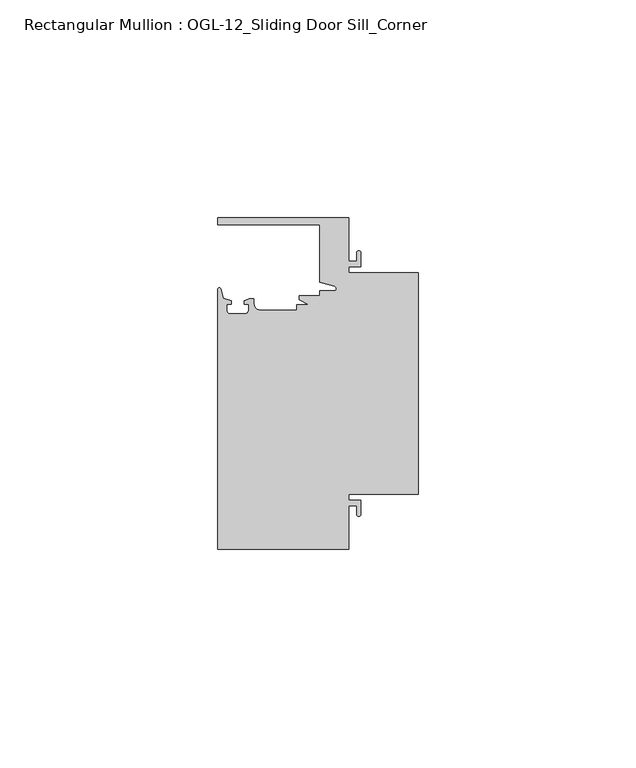
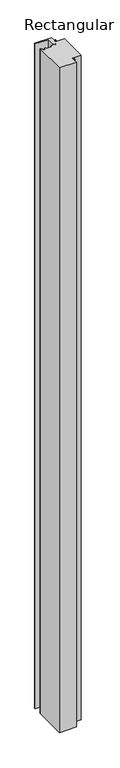
"""IFC4 building model written with IfcOpenShell, lengths in millimetres: member geometry, Rectangular Mullion : OGL-12_Sliding Door Sill_Corner."""

from ifc_helpers import new_model, si_unit, point, frame, frame_2d, origin, place, context, project, spatial, polyline, circle_curve, trimmed, segment, composite_curve, outline, extrude, source, transform, mapped, element, save


def rectangular_mullion_ogl_12_sliding_door_sill_corner_7ad90345(model_context):
    return source(origin(), model_context, "Body", "SweptSolid", [
        extrude(outline(composite_curve([segment(polyline([(0.0, -4.7625), (0.0, -55.5625), (-15.934238, -55.5625), (-15.934238, -57.0104425), (-13.2417195, -57.0104425), (-13.2417195, -60.2053503)]), True, "CONTINUOUS"), segment(trimmed(circle_curve(frame_2d((-13.6974747, -60.2053503)), 0.4557552), [point((-13.2417195, -60.2053503))], [point((-14.15323, -60.2053503))], False, "CARTESIAN"), True, "CONTINUOUS"), segment(polyline([(-14.15323, -60.2053503), (-14.15323, -58.2169425), (-15.934238, -58.2169425), (-15.934238, -68.2628208), (-46.0931306, -68.2628208), (-46.0931306, -8.5365859)]), True, "CONTINUOUS"), segment(trimmed(circle_curve(frame_2d((-45.7573546, -8.5365859)), 0.335776), [point((-46.0931306, -8.5365859))], [point((-45.434586, -8.4440335))], False, "CARTESIAN"), True, "CONTINUOUS"), segment(polyline([(-45.434586, -8.4440335), (-44.83413, -10.5380726), (-43.0244711, -11.1260664), (-43.0244711, -11.9378256), (-44.0028338, -11.9378256), (-44.0028338, -13.3878227)]), True, "CONTINUOUS"), segment(trimmed(circle_curve(frame_2d((-43.2028354, -13.3878227)), 0.7999984), [point((-44.0028338, -13.3878227))], [point((-43.2028354, -14.1878211))], True, "CARTESIAN"), True, "CONTINUOUS"), segment(polyline([(-43.2028354, -14.1878211), (-39.8028422, -14.1878211)]), True, "CONTINUOUS"), segment(trimmed(circle_curve(frame_2d((-39.8028422, -13.3878227)), 0.7999984), [point((-39.8028422, -14.1878211))], [point((-39.0028438, -13.3878227))], True, "CARTESIAN"), True, "CONTINUOUS"), segment(polyline([(-39.0028438, -13.3878227), (-39.0028438, -11.9378256), (-39.9812066, -11.9378256), (-39.9812066, -11.0948795), (-38.8813571, -10.7133647), (-37.7528423, -10.6805611), (-37.7528423, -11.8825031)]), True, "CONTINUOUS"), segment(trimmed(circle_curve(frame_2d((-36.3386331, -11.8846104)), 1.4142107), [point((-37.7528423, -11.8825031))], [point((-36.3386331, -13.2988211))], True, "CARTESIAN"), True, "CONTINUOUS"), segment(polyline([(-36.3386331, -13.2988211), (-27.9268052, -13.2988211), (-27.9268052, -12.0119625), (-25.1995125, -12.0119625), (-27.2970068, -10.896705), (-27.2970068, -9.9460025), (-22.6027094, -9.9460025), (-22.6027094, -8.9088472), (-19.3562398, -8.9088472)]), True, "CONTINUOUS"), segment(trimmed(circle_curve(frame_2d((-19.3562398, -8.373424)), 0.5354233), [point((-19.3562398, -8.9088472))], [point((-19.2086572, -7.8587421))], True, "CARTESIAN"), True, "CONTINUOUS"), segment(polyline([(-19.2086572, -7.8587421), (-22.6260049, -6.8788334), (-22.6260049, 6.3496792), (-46.0931306, 6.3496792), (-46.0931306, 7.9371792), (-15.934238, 7.9371792), (-15.934238, -2.1086991), (-14.15323, -2.1086991), (-14.15323, -0.1196497)]), True, "CONTINUOUS"), segment(trimmed(circle_curve(frame_2d((-13.6974747, -0.1196497)), 0.4557552), [point((-14.15323, -0.1196497))], [point((-13.2417195, -0.1196497))], False, "CARTESIAN"), True, "CONTINUOUS"), segment(polyline([(-13.2417195, -0.1196497), (-13.2417195, -3.3151991), (-15.934238, -3.3151991), (-15.934238, -4.7625), (0.0, -4.7625)]), True, "CONTINUOUS")], self_intersect=False)), frame((0.0, 0.0, -1253.33125), z_axis=(0.0, 0.0, 1.0), x_axis=(1.0, 0.0, 0.0)), (0.0, 0.0, 1.0), 1253.33125),
    ])


if __name__ == "__main__":
    model = new_model("IFC4")
    model_context = context("Model", 3, world=origin())
    ifc_project = project(units=[si_unit("LENGTHUNIT", "METRE", prefix="MILLI")], contexts=[model_context])
    site = spatial("IfcSite", under=ifc_project)
    building = spatial("IfcBuilding", under=site)
    placement = place(None, origin())
    rectangular_mullion_ogl_12_sliding_door_sill_corner_shape = rectangular_mullion_ogl_12_sliding_door_sill_corner_7ad90345(model_context)
    element("IfcMember", 1, ObjectType="Rectangular Mullion : OGL-12_Sliding Door Sill_Corner", at=placement, inside=building, context=model_context, shape_type="MappedRepresentation", body=[
        mapped(rectangular_mullion_ogl_12_sliding_door_sill_corner_shape, transform((0.0, 0.0, 0.0), x_axis=(1.0, 0.0, 0.0), y_axis=(0.0, 1.0, 0.0), z_axis=(0.0, 0.0, 1.0))),
    ])
    save(model, "model.ifc")
